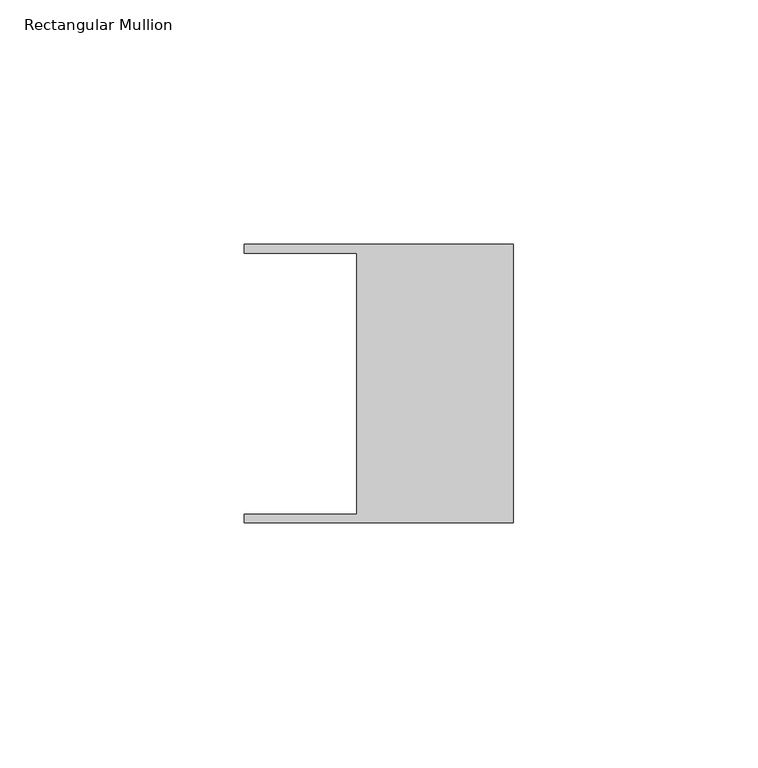
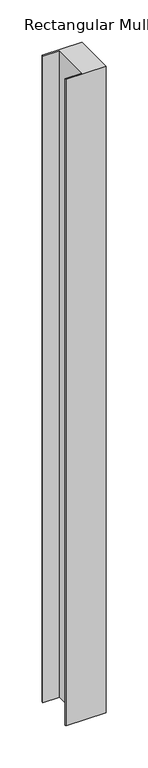
"""IFC4 building model written with IfcOpenShell, lengths in millimetres: member geometry, Rectangular Mullion."""

from ifc_helpers import new_model, si_unit, frame, origin, place, context, project, spatial, polyline, outline, extrude, source, transform, mapped, element, save


def rectangular_mullion_277e1a65(model_context):
    return source(origin(), model_context, "Body", "SweptSolid", [
        extrude(outline(polyline([(-32.004, 26.67), (-54.991, 26.67), (-54.991, 28.448), (0.0, 28.448), (0.0, -28.448), (-54.991, -28.448), (-54.991, -26.67), (-32.004, -26.67), (-32.004, 26.67)])), frame((0.0, 0.0, -935.8043061), z_axis=(0.0, 0.0, 1.0), x_axis=(1.0, 0.0, 0.0)), (0.0, 0.0, 1.0), 935.8043061),
    ])


if __name__ == "__main__":
    model = new_model("IFC4")
    model_context = context("Model", 3, world=origin())
    ifc_project = project(units=[si_unit("LENGTHUNIT", "METRE", prefix="MILLI")], contexts=[model_context])
    site = spatial("IfcSite", under=ifc_project)
    building = spatial("IfcBuilding", under=site)
    placement = place(None, origin())
    rectangular_mullion_shape = rectangular_mullion_277e1a65(model_context)
    element("IfcMember", 1, ObjectType="Rectangular Mullion", at=placement, inside=building, context=model_context, shape_type="MappedRepresentation", body=[
        mapped(rectangular_mullion_shape, transform((0.0, 0.0, 0.0), x_axis=(1.0, 0.0, 0.0), y_axis=(0.0, 1.0, 0.0), z_axis=(0.0, 0.0, 1.0))),
    ])
    save(model, "model.ifc")
